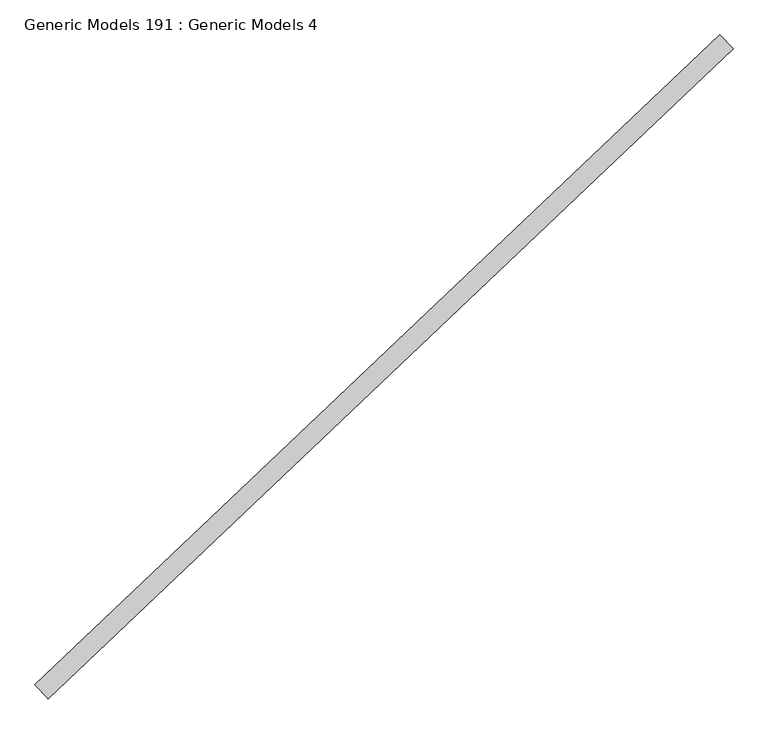
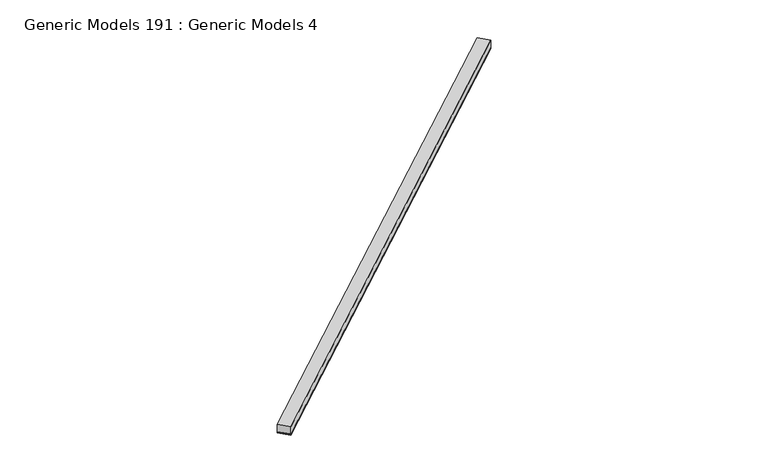
"""IFC4 building model written with IfcOpenShell, lengths in millimetres: proxy geometry, Generic Models 191 : Generic Models 4."""

from ifc_helpers import new_model, si_unit, point, frame, frame_2d, origin, place, context, project, spatial, polyline, circle_curve, trimmed, segment, composite_curve, outline, extrude, source, transform, mapped, element, save


def generic_models_191_generic_models_4_d41b7c9c(model_context):
    return source(origin(), model_context, "Body", "SweptSolid", [
        extrude(outline(composite_curve([segment(polyline([(92.075, -9.128125), (0.0, -9.128125)]), True, "CONTINUOUS"), segment(trimmed(circle_curve(frame_2d((-4.4149557, -4.5640625)), 6.35), [point((0.0, -9.128125))], [point((0.0, 0.0))], True, "CARTESIAN"), True, "CONTINUOUS"), segment(polyline([(0.0, 0.0), (92.075, 0.0)]), True, "CONTINUOUS"), segment(trimmed(circle_curve(frame_2d((96.4899556, -4.5640625)), 6.35), [point((92.075, 0.0))], [point((92.075, -9.128125))], True, "CARTESIAN"), True, "CONTINUOUS")], self_intersect=False)), frame((99763.4645275, 57298.7606646, 17434.5128084), z_axis=(0.7253743710123147, 0.6883545756937256, 0.0), x_axis=(0.6883545756937256, -0.7253743710123147, 0.0)), (0.0, 0.0, 1.0), 4530.725),
        extrude(outline(polyline([(99826.844775, 57231.9718194), (99763.4645275, 57298.7606646), (103049.9363246, 60417.5059496), (103113.3165721, 60350.7171044), (99826.844775, 57231.9718194)])), frame((0.0, 0.0, 17444.0378084), z_axis=(0.0, 0.0, 1.0), x_axis=(1.0, 0.0, 0.0)), (0.0, 0.0, 1.0), 57.15),
    ])


if __name__ == "__main__":
    model = new_model("IFC4")
    model_context = context("Model", 3, world=origin())
    ifc_project = project(units=[si_unit("LENGTHUNIT", "METRE", prefix="MILLI")], contexts=[model_context])
    site = spatial("IfcSite", under=ifc_project)
    building = spatial("IfcBuilding", under=site)
    placement = place(None, origin())
    generic_models_191_generic_models_4_shape = generic_models_191_generic_models_4_d41b7c9c(model_context)
    element("IfcBuildingElementProxy", 1, Name="Generic Models 191 : Generic Models 4", ObjectType="Generic Models 191 : Generic Models 4", at=placement, inside=building, context=model_context, shape_type="MappedRepresentation", body=[
        mapped(generic_models_191_generic_models_4_shape, transform((0.0, 0.0, 0.0), x_axis=(1.0, 0.0, 0.0), y_axis=(0.0, 1.0, 0.0), z_axis=(0.0, 0.0, 1.0))),
    ])
    save(model, "model.ifc")
